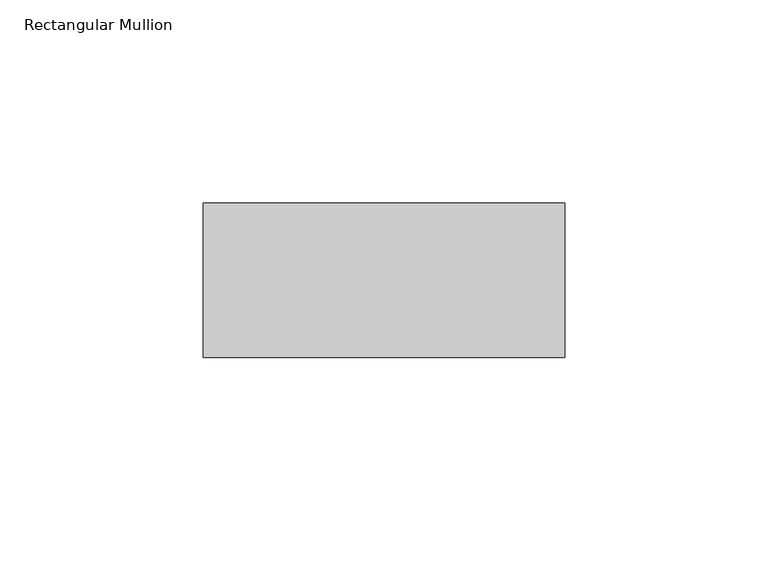
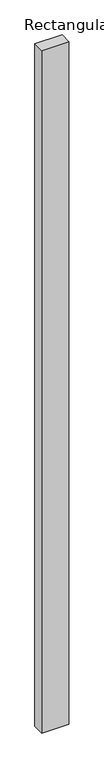
"""IFC4 building model written with IfcOpenShell, lengths in millimetres: member geometry, Rectangular Mullion."""

from ifc_helpers import new_model, si_unit, frame, origin, place, context, project, spatial, polyline, outline, extrude, source, transform, mapped, element, save


def rectangular_mullion_ca50d48e(model_context):
    return source(origin(), model_context, "Body", "SweptSolid", [
        extrude(outline(polyline([(44.5, 58.0), (44.5, 20.0), (-44.5, 20.0), (-44.5, 58.0), (44.5, 58.0)])), frame((0.0, 0.0, -2360.0), z_axis=(0.0, 0.0, 1.0), x_axis=(1.0, 0.0, 0.0)), (0.0, 0.0, 1.0), 2360.0),
    ])


if __name__ == "__main__":
    model = new_model("IFC4")
    model_context = context("Model", 3, world=origin())
    ifc_project = project(units=[si_unit("LENGTHUNIT", "METRE", prefix="MILLI")], contexts=[model_context])
    site = spatial("IfcSite", under=ifc_project)
    building = spatial("IfcBuilding", under=site)
    placement = place(None, origin())
    rectangular_mullion_shape = rectangular_mullion_ca50d48e(model_context)
    element("IfcMember", 1, ObjectType="Rectangular Mullion", at=placement, inside=building, context=model_context, shape_type="MappedRepresentation", body=[
        mapped(rectangular_mullion_shape, transform((0.0, 0.0, 0.0), x_axis=(1.0, 0.0, 0.0), y_axis=(0.0, 1.0, 0.0), z_axis=(0.0, 0.0, 1.0))),
    ])
    save(model, "model.ifc")
